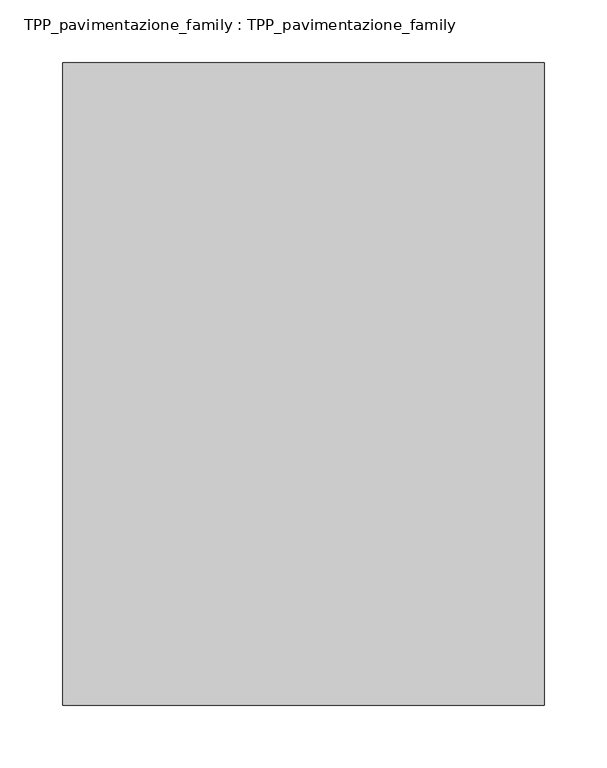
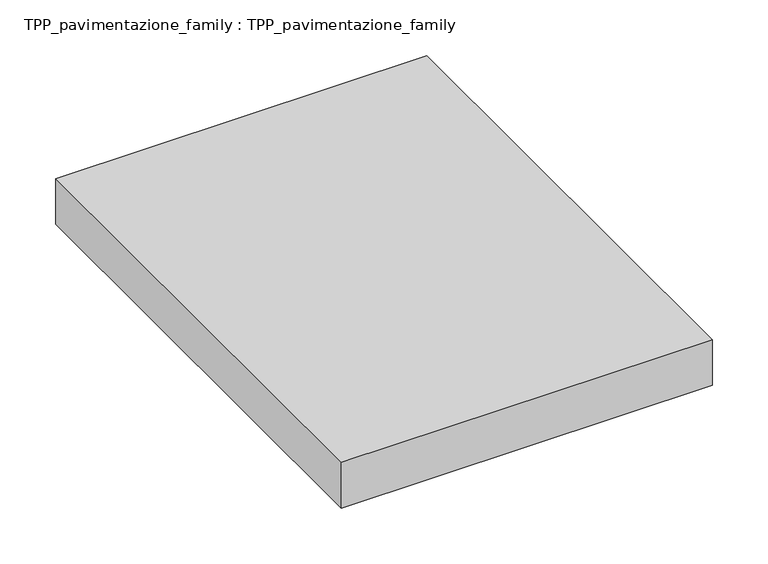
"""IFC4 building model written with IfcOpenShell, lengths in millimetres: proxy geometry, TPP_pavimentazione_family : TPP_pavimentazione_family."""

from ifc_helpers import new_model, si_unit, origin, origin_with_axes, place, context, project, spatial, polyline, outline, extrude, source, transform, mapped, element, save


def tpp_pavimentazione_family_tpp_pavimentazione_family_ec0c51f5(model_context):
    return source(origin(), model_context, "Body", "SweptSolid", [
        extrude(outline(polyline([(511.8146187, 354.2201026), (511.8146187, -158.7632873), (127.5377705, -158.7632873), (127.5377705, 354.2201026), (511.8146187, 354.2201026)])), origin_with_axes(), (0.0, 0.0, 1.0), 50.0),
    ])


if __name__ == "__main__":
    model = new_model("IFC4")
    model_context = context("Model", 3, world=origin())
    ifc_project = project(units=[si_unit("LENGTHUNIT", "METRE", prefix="MILLI")], contexts=[model_context])
    site = spatial("IfcSite", under=ifc_project)
    building = spatial("IfcBuilding", under=site)
    placement = place(None, origin())
    tpp_pavimentazione_family_tpp_pavimentazione_family_shape = tpp_pavimentazione_family_tpp_pavimentazione_family_ec0c51f5(model_context)
    element("IfcBuildingElementProxy", 1, Name="TPP_pavimentazione_family : TPP_pavimentazione_family", ObjectType="TPP_pavimentazione_family : TPP_pavimentazione_family", at=placement, inside=building, context=model_context, shape_type="MappedRepresentation", body=[
        mapped(tpp_pavimentazione_family_tpp_pavimentazione_family_shape, transform((0.0, 0.0, 0.0), x_axis=(1.0, 0.0, 0.0), y_axis=(0.0, 1.0, 0.0), z_axis=(0.0, 0.0, 1.0))),
    ])
    save(model, "model.ifc")
